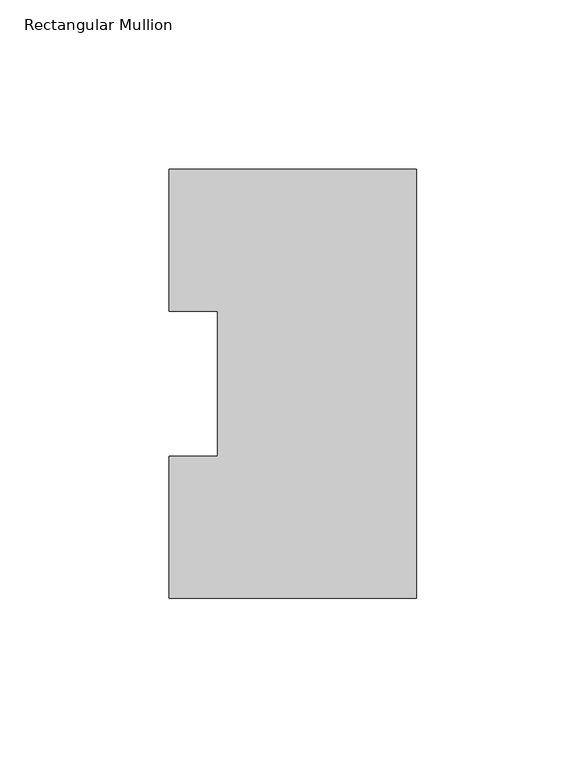
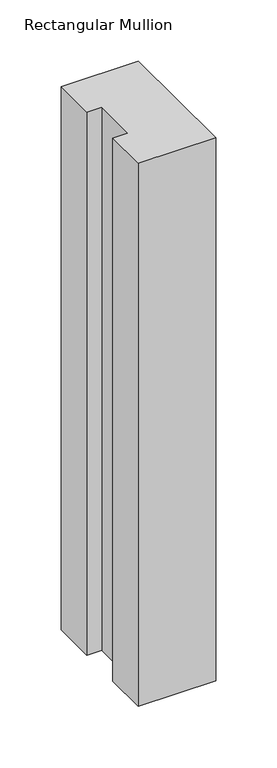
"""IFC4 building model written with IfcOpenShell, lengths in millimetres: member geometry, Rectangular Mullion."""

from ifc_helpers import new_model, si_unit, frame, origin, place, context, project, spatial, polyline, outline, extrude, source, transform, mapped, element, save


def rectangular_mullion_8ea3e860(model_context):
    return source(origin(), model_context, "Body", "SweptSolid", [
        extrude(outline(polyline([(0.0, 126.4546937), (0.0, -0.0373063), (-73.025, -0.0373063), (-73.025, 41.7837937), (-58.7375, 41.7837937), (-58.7375, 84.6335937), (-73.025, 84.6335937), (-73.025, 126.4546937), (0.0, 126.4546937)])), frame((0.0, 0.0, -542.925), z_axis=(0.0, 0.0, 1.0), x_axis=(1.0, 0.0, 0.0)), (0.0, 0.0, 1.0), 542.925),
    ])


if __name__ == "__main__":
    model = new_model("IFC4")
    model_context = context("Model", 3, world=origin())
    ifc_project = project(units=[si_unit("LENGTHUNIT", "METRE", prefix="MILLI")], contexts=[model_context])
    site = spatial("IfcSite", under=ifc_project)
    building = spatial("IfcBuilding", under=site)
    placement = place(None, origin())
    rectangular_mullion_shape = rectangular_mullion_8ea3e860(model_context)
    element("IfcMember", 1, ObjectType="Rectangular Mullion", at=placement, inside=building, context=model_context, shape_type="MappedRepresentation", body=[
        mapped(rectangular_mullion_shape, transform((0.0, 0.0, 0.0), x_axis=(1.0, 0.0, 0.0), y_axis=(0.0, 1.0, 0.0), z_axis=(0.0, 0.0, 1.0))),
    ])
    save(model, "model.ifc")
